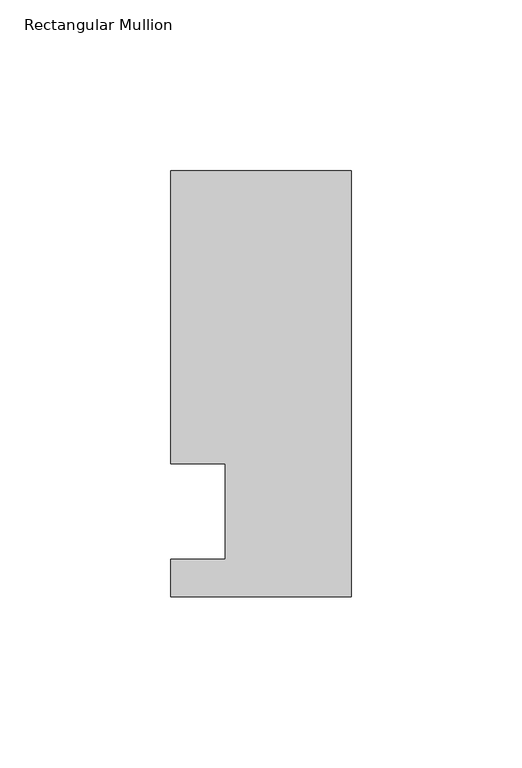
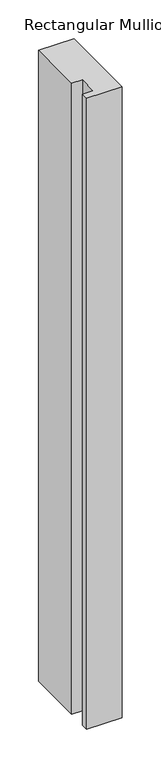
"""IFC4 building model written with IfcOpenShell, lengths in millimetres: member geometry, Rectangular Mullion."""

from ifc_helpers import new_model, si_unit, frame, origin, place, context, project, spatial, polyline, outline, extrude, source, transform, mapped, element, save


def rectangular_mullion_df15ef8c(model_context):
    return source(origin(), model_context, "Body", "SweptSolid", [
        extrude(outline(polyline([(0.0, -25.0), (-53.0, -25.0), (-53.0, -14.0), (-37.0, -14.0), (-37.0, 13.9998907), (-53.0, 13.9998907), (-53.0, 100.0), (0.0, 100.0), (0.0, -25.0)])), frame((0.0, 0.0, -995.9865328), z_axis=(0.0, 0.0, 1.0), x_axis=(1.0, 0.0, 0.0)), (0.0, 0.0, 1.0), 995.9865328),
    ])


if __name__ == "__main__":
    model = new_model("IFC4")
    model_context = context("Model", 3, world=origin())
    ifc_project = project(units=[si_unit("LENGTHUNIT", "METRE", prefix="MILLI")], contexts=[model_context])
    site = spatial("IfcSite", under=ifc_project)
    building = spatial("IfcBuilding", under=site)
    placement = place(None, origin())
    rectangular_mullion_shape = rectangular_mullion_df15ef8c(model_context)
    element("IfcMember", 1, ObjectType="Rectangular Mullion", at=placement, inside=building, context=model_context, shape_type="MappedRepresentation", body=[
        mapped(rectangular_mullion_shape, transform((0.0, 0.0, 0.0), x_axis=(1.0, 0.0, 0.0), y_axis=(0.0, 1.0, 0.0), z_axis=(0.0, 0.0, 1.0))),
    ])
    save(model, "model.ifc")
